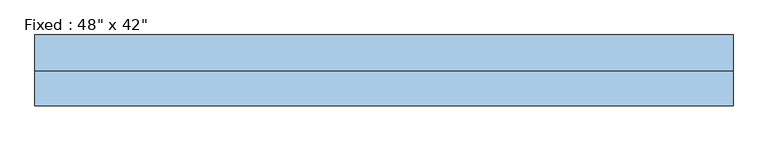
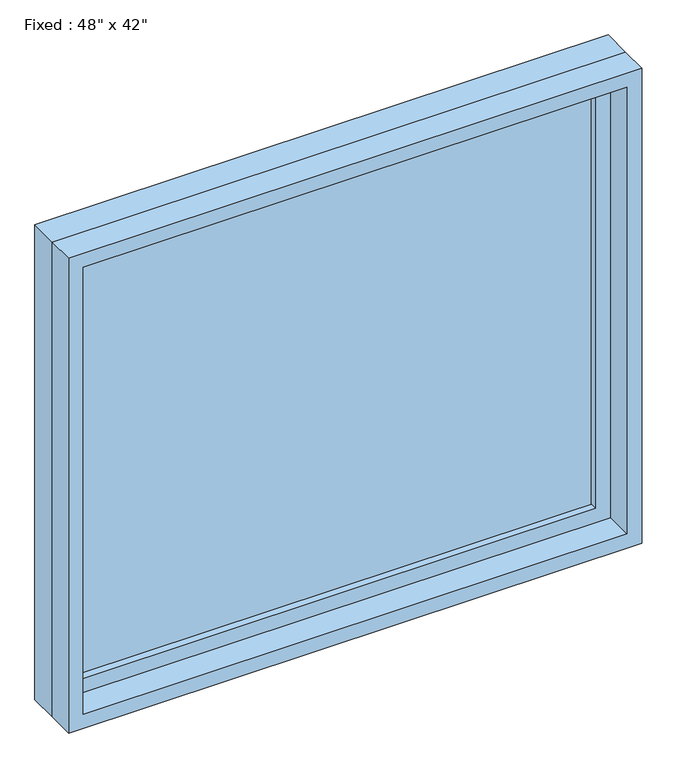
"""IFC4 building model written with IfcOpenShell, lengths in millimetres: window geometry."""

from ifc_helpers import new_model, si_unit, frame, origin, place, context, project, spatial, polyline, outline, extrude, source, transform, mapped, element, save


def window_eddd9cce(model_context):
    return source(origin(), model_context, "Body", "SweptSolid", [
        extrude(outline(polyline([(508.0, 14.2875), (-584.2, 14.2875), (-584.2, 26.9875), (508.0, 26.9875), (508.0, 14.2875)])), frame((0.0, 0.0, 1282.7), z_axis=(0.0, 0.0, 1.0), x_axis=(1.0, 0.0, 0.0)), (0.0, 0.0, 1.0), 939.8),
        extrude(outline(polyline([(2266.95, -628.65), (1238.25, -628.65), (1238.25, 552.45), (2266.95, 552.45), (2266.95, -628.65)]), holes=[polyline([(2222.5, -584.2), (2222.5, 508.0), (1282.7, 508.0), (1282.7, -584.2), (2222.5, -584.2)])]), frame((0.0, -1.5875, 0.0), z_axis=(0.0, 1.0, 0.0), x_axis=(0.0, 0.0, 1.0)), (0.0, 0.0, 1.0), 44.45),
        extrude(outline(polyline([(2286.0, -647.7), (1219.2, -647.7), (1219.2, 571.5), (2286.0, 571.5), (2286.0, -647.7)]), holes=[polyline([(2254.25, -615.95), (2254.25, 539.75), (1250.95, 539.75), (1250.95, -615.95), (2254.25, -615.95)])]), frame((0.0, -61.9125, 0.0), z_axis=(0.0, 1.0, 0.0), x_axis=(0.0, 0.0, 1.0)), (0.0, 0.0, 1.0), 60.325),
        extrude(outline(polyline([(2286.0, 571.5), (2286.0, -647.7), (1219.2, -647.7), (1219.2, 571.5), (2286.0, 571.5)]), holes=[polyline([(2266.95, 552.45), (1238.25, 552.45), (1238.25, -628.65), (2266.95, -628.65), (2266.95, 552.45)])]), frame((0.0, -1.5875, 0.0), z_axis=(0.0, 1.0, 0.0), x_axis=(0.0, 0.0, 1.0)), (0.0, 0.0, 1.0), 63.5),
    ])


if __name__ == "__main__":
    model = new_model("IFC4")
    model_context = context("Model", 3, world=origin())
    ifc_project = project(units=[si_unit("LENGTHUNIT", "METRE", prefix="MILLI")], contexts=[model_context])
    site = spatial("IfcSite", under=ifc_project)
    building = spatial("IfcBuilding", under=site)
    placement = place(None, origin())
    window_shape = window_eddd9cce(model_context)
    element("IfcWindow", 1, ObjectType="Fixed : 48\" x 42\"", at=placement, inside=building, context=model_context, shape_type="MappedRepresentation", body=[
        mapped(window_shape, transform((0.0, 0.0, 0.0), x_axis=(1.0, 0.0, 0.0), y_axis=(0.0, 1.0, 0.0), z_axis=(0.0, 0.0, 1.0))),
    ])
    save(model, "model.ifc")
